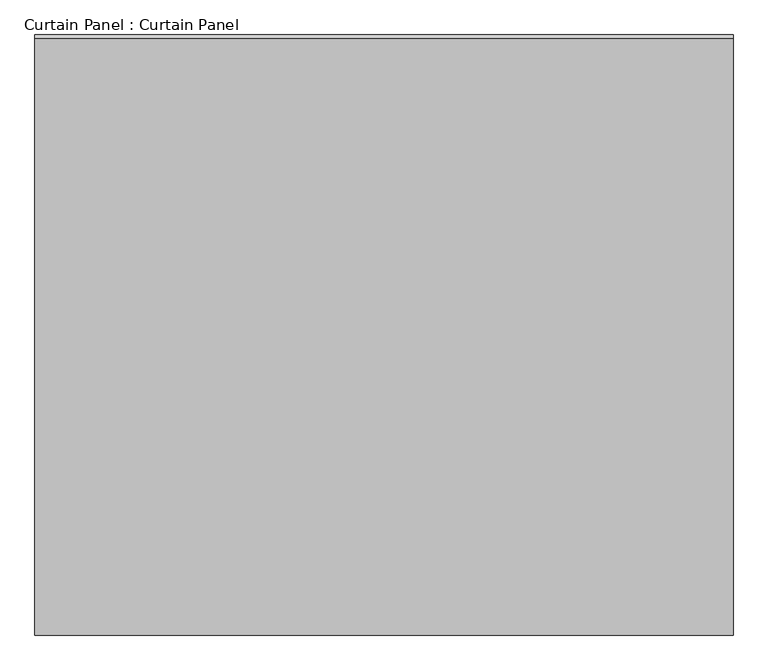
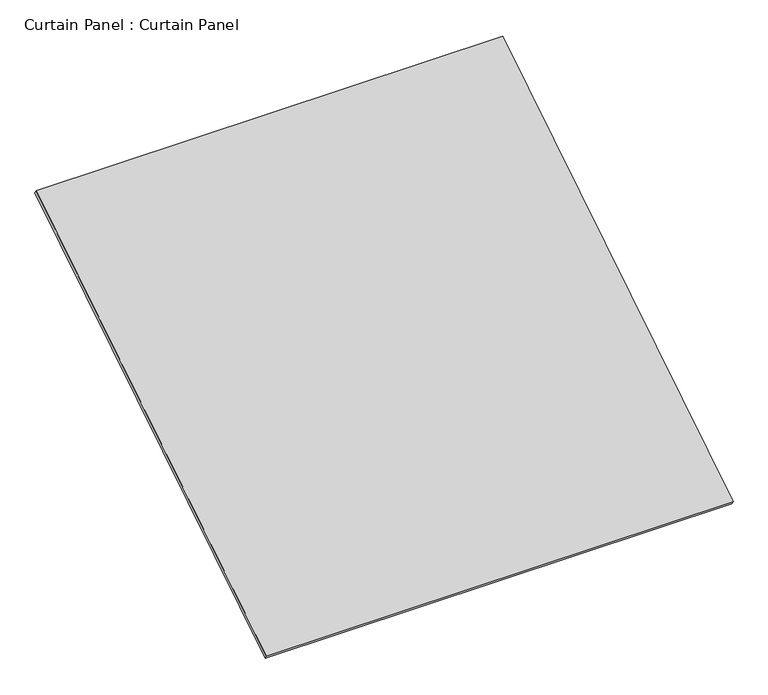
"""IFC4 building model written with IfcOpenShell, lengths in millimetres: plate geometry, Curtain Panel : Curtain Panel."""

from ifc_helpers import new_model, si_unit, frame, origin, place, context, project, spatial, polyline, outline, extrude, source, transform, mapped, element, save


def curtain_panel_curtain_panel_d2ad9c48(model_context):
    return source(origin(), model_context, "Body", "SweptSolid", [
        extrude(outline(polyline([(-63.5, 0.0), (-63.5, -3013.075), (-3048.0, -3013.075), (-3048.0, 0.0), (-63.5, 0.0)])), frame((-117670.6430895, -6506.9755787, 5560.7850437), z_axis=(0.0, -0.5318918435658209, 0.8468122972348432), x_axis=(-1.0, 0.0, 0.0)), (0.0, 0.0, 1.0), 25.4),
    ])


if __name__ == "__main__":
    model = new_model("IFC4")
    model_context = context("Model", 3, world=origin())
    ifc_project = project(units=[si_unit("LENGTHUNIT", "METRE", prefix="MILLI")], contexts=[model_context])
    site = spatial("IfcSite", under=ifc_project)
    building = spatial("IfcBuilding", under=site)
    placement = place(None, origin())
    curtain_panel_curtain_panel_shape = curtain_panel_curtain_panel_d2ad9c48(model_context)
    element("IfcPlate", 1, ObjectType="Curtain Panel : Curtain Panel", at=placement, inside=building, context=model_context, shape_type="MappedRepresentation", body=[
        mapped(curtain_panel_curtain_panel_shape, transform((0.0, 0.0, 0.0), x_axis=(1.0, 0.0, 0.0), y_axis=(0.0, 1.0, 0.0), z_axis=(0.0, 0.0, 1.0))),
    ])
    save(model, "model.ifc")
